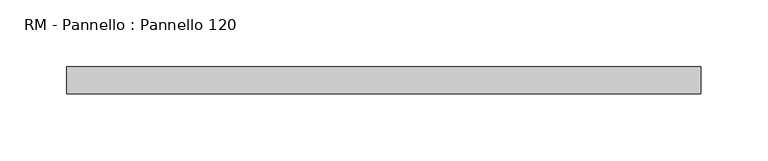
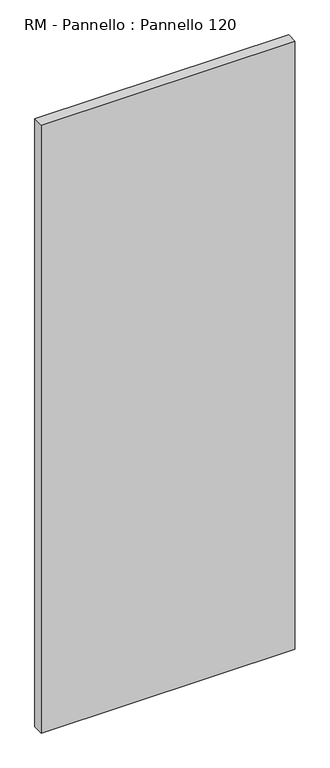
"""IFC4 building model written with IfcOpenShell, lengths in millimetres: plate geometry, RM - Pannello : Pannello 120."""

from ifc_helpers import new_model, si_unit, origin, origin_with_axes, place, context, project, spatial, polyline, outline, extrude, source, transform, mapped, element, save


def rm_pannello_pannello_120_7879032a(model_context):
    return source(origin(), model_context, "Body", "SweptSolid", [
        extrude(outline(polyline([(237.0, -200.0), (-237.0, -200.0), (-237.0, -180.0), (237.0, -180.0), (237.0, -200.0)])), origin_with_axes(), (0.0, 0.0, 1.0), 1200.0),
    ])


if __name__ == "__main__":
    model = new_model("IFC4")
    model_context = context("Model", 3, world=origin())
    ifc_project = project(units=[si_unit("LENGTHUNIT", "METRE", prefix="MILLI")], contexts=[model_context])
    site = spatial("IfcSite", under=ifc_project)
    building = spatial("IfcBuilding", under=site)
    placement = place(None, origin())
    rm_pannello_pannello_120_shape = rm_pannello_pannello_120_7879032a(model_context)
    element("IfcPlate", 1, ObjectType="RM - Pannello : Pannello 120", at=placement, inside=building, context=model_context, shape_type="MappedRepresentation", body=[
        mapped(rm_pannello_pannello_120_shape, transform((0.0, 0.0, 0.0), x_axis=(1.0, 0.0, 0.0), y_axis=(0.0, 1.0, 0.0), z_axis=(0.0, 0.0, 1.0))),
    ])
    save(model, "model.ifc")
